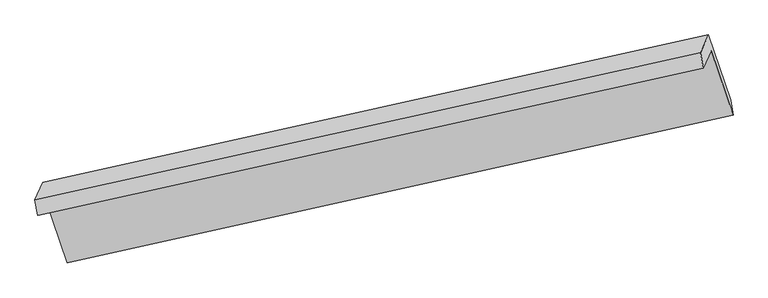
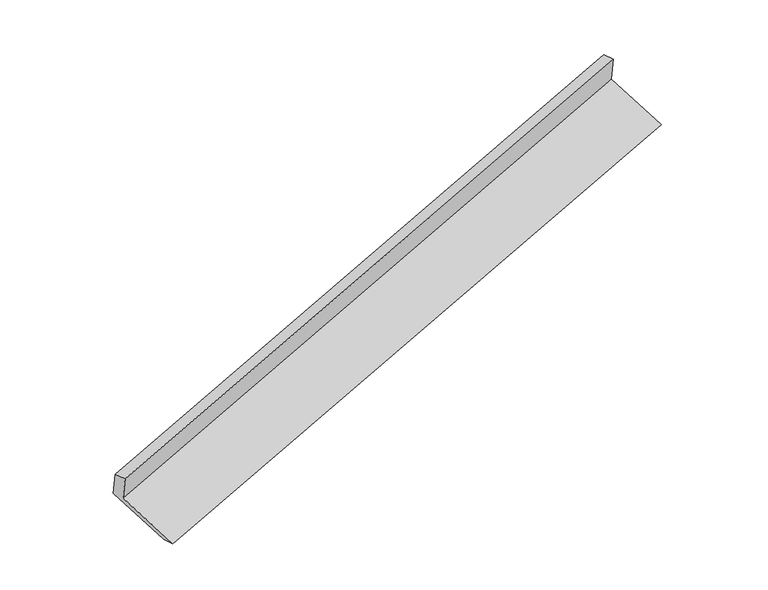
"""IFC4 building model written with IfcOpenShell, lengths in millimetres: proxy geometry."""

from ifc_helpers import new_model, si_unit, origin, place, context, project, spatial, faceted_brep, source, transform, mapped, element, save


def generic_models_46a5cdc2(model_context):
    return source(origin(), model_context, "Body", "Brep", [
        faceted_brep([(-5912.6722316, -1997.9971925, 974.6451817), (-5713.6380126, -2583.9185457, 742.9748079), (327.4226429, -1241.9327848, 2596.0156388), (128.3884239, -656.0114317, 2827.6860125), (-5982.2255537, -2156.1629269, 1314.9096215), (57.012522, -818.3217513, 3176.8667641), (-6006.3116544, -2014.2188498, 1292.187684), (32.9264213, -676.3776742, 3154.1448266), (-5936.7917387, -1856.1290824, 952.0866732), (104.2689168, -514.1433215, 2805.127504), (-5735.8357768, -2447.7077052, 718.1794432), (305.2248787, -1105.7219443, 2571.2202741)], [[[0, 1, 2, 3]], [[4, 0, 3, 5]], [[6, 4, 5, 7]], [[8, 6, 7, 9]], [[10, 8, 9, 11]], [[1, 10, 11, 2]], [[9, 7, 5, 3, 2, 11]], [[1, 0, 4, 6, 8, 10]]]),
    ])


if __name__ == "__main__":
    model = new_model("IFC4")
    model_context = context("Model", 3, world=origin())
    ifc_project = project(units=[si_unit("LENGTHUNIT", "METRE", prefix="MILLI")], contexts=[model_context])
    site = spatial("IfcSite", under=ifc_project)
    building = spatial("IfcBuilding", under=site)
    placement = place(None, origin())
    generic_models_shape = generic_models_46a5cdc2(model_context)
    element("IfcBuildingElementProxy", 1, Name="Generic Models", at=placement, inside=building, context=model_context, shape_type="MappedRepresentation", body=[
        mapped(generic_models_shape, transform((0.0, 0.0, 0.0), x_axis=(1.0, 0.0, 0.0), y_axis=(0.0, 1.0, 0.0), z_axis=(0.0, 0.0, 1.0))),
    ])
    save(model, "model.ifc")
